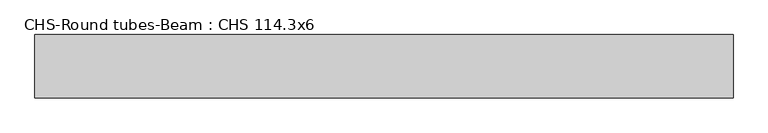
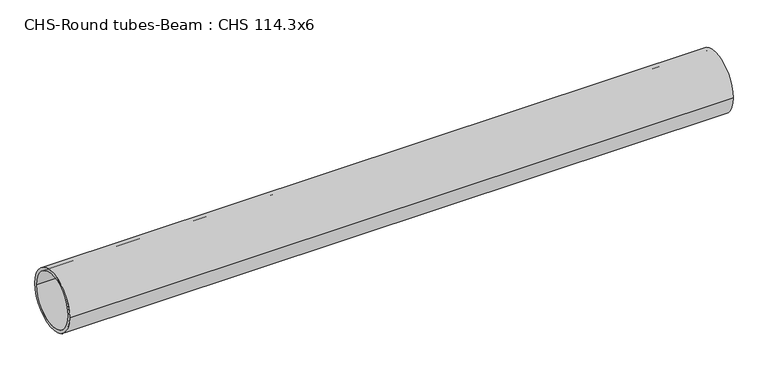
"""IFC4 building model written with IfcOpenShell, lengths in millimetres: beam geometry, CHS-Round tubes-Beam : CHS 114.3x6."""

from ifc_helpers import new_model, si_unit, point, frame, origin, origin_2d, place, context, project, spatial, circle_curve, trimmed, segment, composite_curve, outline, extrude, source, transform, mapped, element, save


def chs_round_tubes_beam_chs_114_3x6_f561fdd4(model_context):
    return source(origin(), model_context, "Body", "SweptSolid", [
        extrude(outline(composite_curve([segment(trimmed(circle_curve(origin_2d(), 57.15), [point((57.15, 0.0))], [point((-57.15, 0.0))], False, "CARTESIAN"), True, "CONTINUOUS"), segment(trimmed(circle_curve(origin_2d(), 57.15), [point((-57.15, 0.0))], [point((57.15, 0.0))], False, "CARTESIAN"), True, "CONTINUOUS")], self_intersect=False), holes=[composite_curve([segment(trimmed(circle_curve(origin_2d(), 51.15), [point((51.15, 0.0))], [point((-51.15, 0.0))], True, "CARTESIAN"), True, "CONTINUOUS"), segment(trimmed(circle_curve(origin_2d(), 51.15), [point((-51.15, 0.0))], [point((51.15, 0.0))], True, "CARTESIAN"), True, "CONTINUOUS")], self_intersect=False)]), frame((-623.3094901, 0.0, 0.0), z_axis=(1.0, 0.0, 0.0), x_axis=(0.0, 1.0, 0.0)), (0.0, 0.0, 1.0), 1261.6208876),
    ])


if __name__ == "__main__":
    model = new_model("IFC4")
    model_context = context("Model", 3, world=origin())
    ifc_project = project(units=[si_unit("LENGTHUNIT", "METRE", prefix="MILLI")], contexts=[model_context])
    site = spatial("IfcSite", under=ifc_project)
    building = spatial("IfcBuilding", under=site)
    placement = place(None, origin())
    chs_round_tubes_beam_chs_114_3x6_shape = chs_round_tubes_beam_chs_114_3x6_f561fdd4(model_context)
    element("IfcBeam", 1, ObjectType="CHS-Round tubes-Beam : CHS 114.3x6", at=placement, inside=building, context=model_context, shape_type="MappedRepresentation", body=[
        mapped(chs_round_tubes_beam_chs_114_3x6_shape, transform((0.0, 0.0, 0.0), x_axis=(1.0, 0.0, 0.0), y_axis=(0.0, 1.0, 0.0), z_axis=(0.0, 0.0, 1.0))),
    ])
    save(model, "model.ifc")
